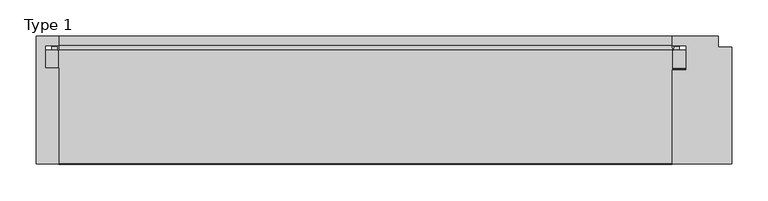
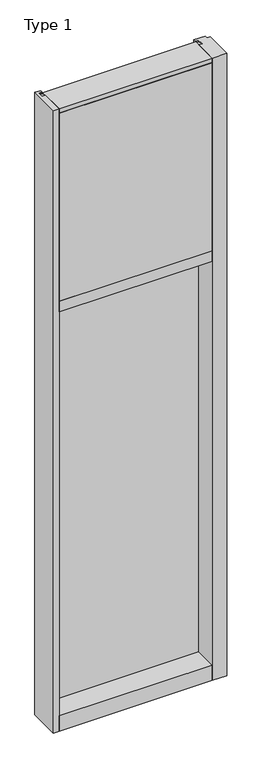
"""IFC4 building model written with IfcOpenShell, lengths in millimetres: plate geometry, Type 1."""

from ifc_helpers import new_model, si_unit, point, frame, frame_2d, origin, place, context, project, spatial, polyline, circle_curve, trimmed, segment, composite_curve, outline, extrude, source, transform, mapped, element, save


def type_1_e2b8cfaf(model_context):
    return source(origin(), model_context, "Body", "SweptSolid", [
        extrude(outline(polyline([(-457.2, -130.5814), (-457.2, 47.2186), (-425.4489108, 47.2186), (-425.4489108, 34.036), (-444.5, 34.036), (-444.5, 2.286), (-425.45, 2.286), (-425.45, -130.5814), (-457.2, -130.5814)])), frame((0.0, 0.0, -57.15), z_axis=(0.0, 0.0, 1.0), x_axis=(1.0, 0.0, 0.0)), (0.0, 0.0, 1.0), 3657.6),
        extrude(outline(polyline([(425.4510892, -130.5814), (425.4510892, 0.0), (444.5010892, 0.0), (444.5010892, 34.036), (425.4510892, 34.036), (425.4510892, 47.2186), (488.9510892, 47.2186), (488.9510892, 31.3944), (508.0010892, 31.3944), (508.0010892, -130.5814), (425.4510892, -130.5814)])), frame((0.0, 0.0, -57.15), z_axis=(0.0, 0.0, 1.0), x_axis=(1.0, 0.0, 0.0)), (0.0, 0.0, 1.0), 3657.6),
        extrude(outline(composite_curve([segment(polyline([(-425.5265008, 34.0361122), (-425.9374462, 27.686), (-426.9039521, 27.686), (-426.9314595, 31.7563748)]), True, "CONTINUOUS"), segment(trimmed(circle_curve(frame_2d((-427.566445, 31.7520836)), 0.635), [point((-426.9314595, 31.7563748))], [point((-427.5313642, 32.3861138))], True, "CARTESIAN"), True, "CONTINUOUS"), segment(polyline([(-427.5313642, 32.3861138), (-434.2867251, 32.7598869)]), True, "CONTINUOUS"), segment(trimmed(circle_curve(frame_2d((-434.1041718, 33.7593519)), 1.016), [point((-434.2867251, 32.7598869))], [point((-435.0817504, 34.0361122))], False, "CARTESIAN"), True, "CONTINUOUS"), segment(polyline([(-435.0817504, 34.0361122), (-425.5265008, 34.0361122)]), True, "CONTINUOUS")], self_intersect=False)), frame((0.0, 0.0, 2459.3728643), z_axis=(0.0, 0.0, 1.0), x_axis=(1.0, 0.0, 0.0)), (0.0, 0.0, 1.0), 1134.7271357),
        extrude(outline(composite_curve([segment(polyline([(425.9374462, 27.686), (425.5265008, 34.0361122), (435.0817504, 34.0361122)]), True, "CONTINUOUS"), segment(trimmed(circle_curve(frame_2d((434.1041718, 33.7593519)), 1.016), [point((435.0817504, 34.0361122))], [point((434.2867251, 32.7598869))], False, "CARTESIAN"), True, "CONTINUOUS"), segment(polyline([(434.2867251, 32.7598869), (427.5313642, 32.3861138)]), True, "CONTINUOUS"), segment(trimmed(circle_curve(frame_2d((427.566445, 31.7520836)), 0.635), [point((427.5313642, 32.3861138))], [point((426.9314595, 31.7563748))], True, "CARTESIAN"), True, "CONTINUOUS"), segment(polyline([(426.9314595, 31.7563748), (426.9039521, 27.686), (425.9374462, 27.686)]), True, "CONTINUOUS")], self_intersect=False)), frame((0.0, 0.0, 2459.3728643), z_axis=(0.0, 0.0, 1.0), x_axis=(1.0, 0.0, 0.0)), (0.0, 0.0, 1.0), 1134.7271357),
        extrude(outline(polyline([(34.0361122, 2459.3728643), (27.686, 2459.3728643), (27.686, 2471.8771952), (34.0361122, 2470.1238955), (34.0361122, 2459.3728643)])), frame((-435.0817504, 0.0, 0.0), z_axis=(1.0, 0.0, 0.0), x_axis=(0.0, 1.0, 0.0)), (0.0, 0.0, 1.0), 870.1635007),
        extrude(outline(polyline([(425.45, -48.514), (425.45, -131.0159103), (-425.45, -131.0159103), (-425.45, -48.514), (425.45, -48.514)])), frame((0.0, 0.0, 2470.15), z_axis=(0.0, 0.0, 1.0), x_axis=(1.0, 0.0, 0.0)), (0.0, 0.0, 1.0), 1104.9),
        extrude(outline(polyline([(444.5, 27.686), (444.5, 2.286), (-444.5, 2.286), (-444.5, 27.686), (444.5, 27.686)])), frame((0.0, 0.0, 2451.1), z_axis=(0.0, 0.0, 1.0), x_axis=(1.0, 0.0, 0.0)), (0.0, 0.0, 1.0), 1143.0),
        extrude(outline(composite_curve([segment(trimmed(circle_curve(frame_2d((-427.5675342, 31.7520836)), 0.635), [point((-426.9325487, 31.7563748))], [point((-427.5324534, 32.3861138))], True, "CARTESIAN"), True, "CONTINUOUS"), segment(polyline([(-427.5324534, 32.3861138), (-434.2878143, 32.7598869)]), True, "CONTINUOUS"), segment(trimmed(circle_curve(frame_2d((-434.1052611, 33.7593519)), 1.016), [point((-434.2878143, 32.7598869))], [point((-435.0828713, 34.036))], False, "CARTESIAN"), True, "CONTINUOUS"), segment(polyline([(-435.0828713, 34.036), (-425.5275972, 34.036), (-425.9385354, 27.686), (-426.9050413, 27.686), (-426.9325487, 31.7563748)]), True, "CONTINUOUS")], self_intersect=False)), frame((0.0, 0.0, 20.9709644), z_axis=(0.0, 0.0, 1.0), x_axis=(1.0, 0.0, 0.0)), (0.0, 0.0, 1.0), 2396.4580861),
        extrude(outline(composite_curve([segment(polyline([(425.9385354, 27.686), (425.5275972, 34.036), (435.0828713, 34.036)]), True, "CONTINUOUS"), segment(trimmed(circle_curve(frame_2d((434.1052611, 33.7593519)), 1.016), [point((435.0828713, 34.036))], [point((434.2878143, 32.7598869))], False, "CARTESIAN"), True, "CONTINUOUS"), segment(polyline([(434.2878143, 32.7598869), (427.5324534, 32.3861138)]), True, "CONTINUOUS"), segment(trimmed(circle_curve(frame_2d((427.5675342, 31.7520836)), 0.635), [point((427.5324534, 32.3861138))], [point((426.9325487, 31.7563748))], True, "CARTESIAN"), True, "CONTINUOUS"), segment(polyline([(426.9325487, 31.7563748), (426.9050413, 27.686), (425.9385354, 27.686)]), True, "CONTINUOUS")], self_intersect=False)), frame((0.0, 0.0, 20.9709644), z_axis=(0.0, 0.0, 1.0), x_axis=(1.0, 0.0, 0.0)), (0.0, 0.0, 1.0), 2396.4580861),
        extrude(outline(polyline([(444.5010892, 27.686), (444.5010892, 2.286), (-444.5010892, 2.286), (-444.5010892, 27.686), (444.5010892, 27.686)])), frame((0.0, 0.0, 12.6962001), z_axis=(0.0, 0.0, 1.0), x_axis=(1.0, 0.0, 0.0)), (0.0, 0.0, 1.0), 2413.0037999),
        extrude(outline(polyline([(27.686, 33.4752684), (34.036, 31.7219997), (34.036, 20.9709644), (27.686, 20.9709644), (27.686, 33.4752684)])), frame((-435.0828713, 0.0, 0.0), z_axis=(1.0, 0.0, 0.0), x_axis=(0.0, 1.0, 0.0)), (0.0, 0.0, 1.0), 870.1657427),
        extrude(outline(polyline([(27.6860992, 2417.4309356), (34.0360992, 2417.4309356), (34.0360992, 2406.6798775), (27.6860992, 2404.9266088), (27.6860992, 2417.4309356)])), frame((-435.0828713, 0.0, 0.0), z_axis=(1.0, 0.0, 0.0), x_axis=(0.0, 1.0, 0.0)), (0.0, 0.0, 1.0), 870.1657427),
        extrude(outline(polyline([(-130.0734, 3600.45), (27.686, 3600.45), (27.686, 3594.1), (0.0, 3594.1), (0.0, 3575.051832), (-130.0734, 3575.051832), (-130.0734, 3600.45)])), frame((-425.45, 0.0, 0.0), z_axis=(1.0, 0.0, 0.0), x_axis=(0.0, 1.0, 0.0)), (0.0, 0.0, 1.0), 850.9),
        extrude(outline(polyline([(0.0, 2470.15), (0.0, 2451.1), (34.13125, 2451.1), (34.13125, 2470.1462001), (47.2186445, 2470.1462001), (47.2186445, 2406.6462001), (34.13125, 2406.6462001), (34.13125, 2425.7), (0.0, 2425.7), (0.0, 2406.65), (-130.175, 2406.65), (-130.175, 2470.15), (0.0, 2470.15)])), frame((-425.45, 0.0, 0.0), z_axis=(1.0, 0.0, 0.0), x_axis=(0.0, 1.0, 0.0)), (0.0, 0.0, 1.0), 850.9),
        extrude(outline(polyline([(0.0, 31.75), (0.0, 12.7), (34.13125, 12.7), (34.13125, 31.751832), (47.2186148, 31.751832), (47.2186148, -57.15), (-130.175, -57.15), (-130.175, 31.75), (0.0, 31.75)])), frame((-425.45, 0.0, 0.0), z_axis=(1.0, 0.0, 0.0), x_axis=(0.0, 1.0, 0.0)), (0.0, 0.0, 1.0), 850.9),
    ])


if __name__ == "__main__":
    model = new_model("IFC4")
    model_context = context("Model", 3, world=origin())
    ifc_project = project(units=[si_unit("LENGTHUNIT", "METRE", prefix="MILLI")], contexts=[model_context])
    site = spatial("IfcSite", under=ifc_project)
    building = spatial("IfcBuilding", under=site)
    placement = place(None, origin())
    type_1_shape = type_1_e2b8cfaf(model_context)
    element("IfcPlate", 1, ObjectType="Type 1", at=placement, inside=building, context=model_context, shape_type="MappedRepresentation", body=[
        mapped(type_1_shape, transform((0.0, 0.0, 0.0), x_axis=(1.0, 0.0, 0.0), y_axis=(0.0, 1.0, 0.0), z_axis=(0.0, 0.0, 1.0))),
    ])
    save(model, "model.ifc")
